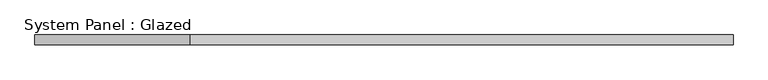
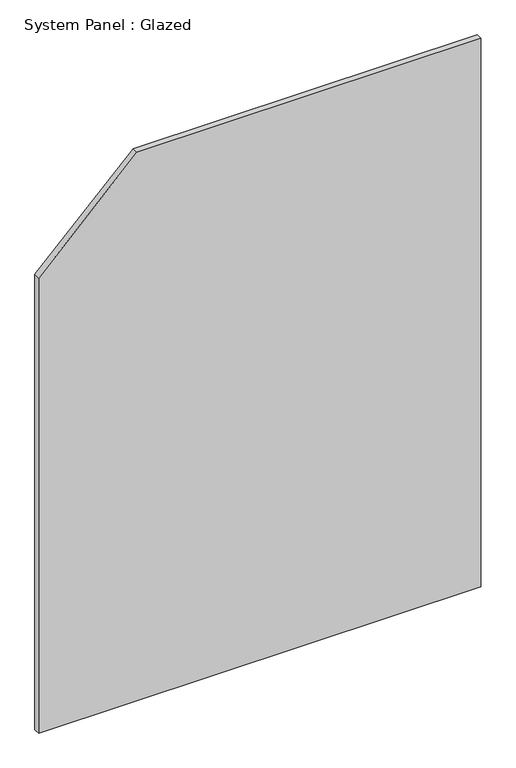
"""IFC4 building model written with IfcOpenShell, lengths in millimetres: plate geometry, System Panel : Glazed."""

import ifcopenshell
import ifcopenshell.guid

model = None  # the IFC model being written
_history = None  # IfcOwnerHistory: only IFC2X3 demands one
_inside = {}  # id of a spatial element -> (the spatial element, [elements in it])
_under = {}  # id of a project, library or spatial element -> (it, [spatial elements below it])
_declared = {}  # id of a project -> (the project, [libraries it declares])
_typed = {}  # id of a type object -> (the type object, [elements of that type])
_made_of = {}  # id of a material, layer set ... -> (it, [elements and type objects made of it])


def new_model(schema):
    """Start an empty IFC model of exactly this schema.

    Asked for "IFC4X3", IfcOpenShell would pick the latest addendum, in which some entities
    have other attributes; the version numbers below select the first issue.
    IFC2X3 requires an IfcOwnerHistory on every rooted entity: one is made here for all.
    """
    global model, _history
    if schema == "IFC4X3":
        model = ifcopenshell.file(schema_version=(4, 3, 0, 0))
    else:
        model = ifcopenshell.file(schema=schema)
    _inside.clear()
    _under.clear()
    _declared.clear()
    _typed.clear()
    _made_of.clear()
    _history = None
    if model.schema == "IFC2X3":
        org = make("IfcOrganization", Name="unknown")
        user = make(
            "IfcPersonAndOrganization",
            ThePerson=make("IfcPerson", FamilyName="unknown"),
            TheOrganization=org,
        )
        app = make(
            "IfcApplication",
            ApplicationDeveloper=org,
            Version="unknown",
            ApplicationFullName="unknown",
            ApplicationIdentifier="unknown",
        )
        _history = make(
            "IfcOwnerHistory",
            OwningUser=user,
            OwningApplication=app,
            ChangeAction="ADDED",
            CreationDate=0,
        )
    return model


def make(cls, **values):
    """One entity of the class cls with the attributes given. An attribute that is None is left unset."""
    return model.create_entity(
        cls, **{name: value for name, value in values.items() if value is not None}
    )


def rooted(cls, **values):
    """An entity with a GlobalId (a new one), such as an element, a storey or a relation."""
    return make(cls, GlobalId=ifcopenshell.guid.new(), OwnerHistory=_history, **values)


def si_unit(unit_type, name, prefix=None):
    """IfcSIUnit, for example si_unit("LENGTHUNIT", "METRE", prefix="MILLI")."""
    return make("IfcSIUnit", UnitType=unit_type, Prefix=prefix, Name=name)


def assignment(units):
    """IfcUnitAssignment: the units of a project."""
    return None if units is None else make("IfcUnitAssignment", Units=units)


def point(xyz):
    """IfcCartesianPoint."""
    return None if xyz is None else make("IfcCartesianPoint", Coordinates=xyz)


def direction(xyz):
    """IfcDirection."""
    return None if xyz is None else make("IfcDirection", DirectionRatios=xyz)


def frame(location, z_axis=None, x_axis=None):
    """IfcAxis2Placement3D, a coordinate frame: its origin and axes. An axis left out is left unset."""
    return make(
        "IfcAxis2Placement3D",
        Location=point(location),
        Axis=direction(z_axis),
        RefDirection=direction(x_axis),
    )


def origin():
    """The frame at (0, 0, 0) with its axes left unset."""
    return frame((0.0, 0.0, 0.0))


def place(relative_to, where):
    """IfcLocalPlacement: puts the frame where relative to a parent placement (None: the world)."""
    return make(
        "IfcLocalPlacement", PlacementRelTo=relative_to, RelativePlacement=where
    )


def context(
    kind, dimensions, precision=None, world=None, true_north=None, identifier=None
):
    """IfcGeometricRepresentationContext, for example the 3D "Model" context."""
    return make(
        "IfcGeometricRepresentationContext",
        ContextIdentifier=identifier,
        ContextType=kind,
        CoordinateSpaceDimension=dimensions,
        Precision=precision,
        WorldCoordinateSystem=world,
        TrueNorth=true_north,
    )


def project(units=None, contexts=None):
    """IfcProject with its units and contexts."""
    return rooted(
        "IfcProject",
        Name="project",
        RepresentationContexts=contexts,
        UnitsInContext=assignment(units),
    )


def spatial(cls, under=None, at=None, **own):
    """A site, building, storey or space (cls), placed at a placement, below another one or the project."""
    s = rooted(cls, ObjectPlacement=at, **own)
    if under is not None:
        _under.setdefault(under.id(), (under, []))[1].append(s)
    return s


def polyline(points):
    """IfcPolyline through the points."""
    return make("IfcPolyline", Points=[point(p) for p in points])


def outline(outer, holes=None, kind="AREA"):
    """IfcArbitraryClosedProfileDef: a profile drawn as a closed curve; with holes, ...WithVoids."""
    if holes is None:
        return make("IfcArbitraryClosedProfileDef", ProfileType=kind, OuterCurve=outer)
    return make(
        "IfcArbitraryProfileDefWithVoids",
        ProfileType=kind,
        OuterCurve=outer,
        InnerCurves=holes,
    )


def extrude(swept, where, along, depth):
    """IfcExtrudedAreaSolid: the profile swept, set in the frame where, extruded along a direction by depth."""
    return make(
        "IfcExtrudedAreaSolid",
        SweptArea=swept,
        Position=where,
        ExtrudedDirection=direction(along),
        Depth=depth,
    )


def shape(context_of_items, identifier, shape_type, items):
    """IfcShapeRepresentation: the items that make up one representation, for example the "Body"."""
    return make(
        "IfcShapeRepresentation",
        ContextOfItems=context_of_items,
        RepresentationIdentifier=identifier,
        RepresentationType=shape_type,
        Items=items,
    )


def source(mapping_origin, context_of_items, identifier, shape_type, items):
    """IfcRepresentationMap: a shape defined once, which mapped items show again and again."""
    return make(
        "IfcRepresentationMap",
        MappingOrigin=mapping_origin,
        MappedRepresentation=shape(context_of_items, identifier, shape_type, items),
    )


def transform(
    local_origin,
    x_axis=None,
    y_axis=None,
    z_axis=None,
    scale=None,
    scale2=None,
    scale3=None,
    uniform=True,
):
    """IfcCartesianTransformationOperator3D, or its non-uniform kind. x_axis, y_axis, z_axis: its Axis1, 2, 3."""
    if uniform:
        return make(
            "IfcCartesianTransformationOperator3D",
            Axis1=direction(x_axis),
            Axis2=direction(y_axis),
            LocalOrigin=point(local_origin),
            Scale=scale,
            Axis3=direction(z_axis),
        )
    return make(
        "IfcCartesianTransformationOperator3DnonUniform",
        Axis1=direction(x_axis),
        Axis2=direction(y_axis),
        LocalOrigin=point(local_origin),
        Scale=scale,
        Axis3=direction(z_axis),
        Scale2=scale2,
        Scale3=scale3,
    )


def mapped(mapping_source, mapping_target):
    """IfcMappedItem: shows the shape of a source again, moved by a transform."""
    return make(
        "IfcMappedItem", MappingSource=mapping_source, MappingTarget=mapping_target
    )


def made_of(thing, what):
    """Note that an element or type object is made of a material, layer set ...; save() writes the relation."""
    if what is not None:
        _made_of.setdefault(what.id(), (what, []))[1].append(thing)
    return thing


def element(
    cls,
    number,
    at=None,
    inside=None,
    cuts=None,
    type_object=None,
    material=None,
    context=None,
    identifier="Body",
    shape_type=None,
    held_by="IfcProductDefinitionShape",
    body=None,
    shapes=None,
    **own,
):
    """One element of the class cls, such as IfcWall. Its Tag is "e" and its number.

    at: its placement. inside: the storey or other place that contains it. cuts: it is an
    opening in that element (IfcRelVoidsElement). A single representation is given by context,
    identifier, shape_type and body (its items); several are given by shapes. held_by: the class
    of the entity that holds the representations. save() writes the other relations.
    """
    e = rooted(cls, Tag="e%d" % number, ObjectPlacement=at, **own)
    if body is not None:
        shapes = [shape(context, identifier, shape_type, body)]
    if shapes is not None:
        e.Representation = make(held_by, Representations=shapes)
    if inside is not None:
        _inside.setdefault(inside.id(), (inside, []))[1].append(e)
    if cuts is not None:
        rooted(
            "IfcRelVoidsElement", RelatingBuildingElement=cuts, RelatedOpeningElement=e
        )
    if type_object is not None:
        _typed.setdefault(type_object.id(), (type_object, []))[1].append(e)
    return made_of(e, material)


def aggregate(whole, parts):
    """IfcRelAggregates: a whole, such as a stair, and the parts it consists of."""
    return rooted("IfcRelAggregates", RelatingObject=whole, RelatedObjects=parts)


def save(model, path):
    """Write the relations noted so far, then the file.

    IfcRelAggregates (storeys below a building ...), IfcRelContainedInSpatialStructure (elements
    in a storey), IfcRelDefinesByType, IfcRelAssociatesMaterial and IfcRelDeclares: one each for
    every whole, place, type object, material and project.
    """
    for whole, parts in _under.values():
        aggregate(whole, parts)
    for where, things in _inside.values():
        rooted(
            "IfcRelContainedInSpatialStructure",
            RelatedElements=things,
            RelatingStructure=where,
        )
    for kind, things in _typed.values():
        rooted("IfcRelDefinesByType", RelatedObjects=things, RelatingType=kind)
    for what, things in _made_of.values():
        rooted("IfcRelAssociatesMaterial", RelatedObjects=things, RelatingMaterial=what)
    for by, libraries in _declared.values():
        rooted("IfcRelDeclares", RelatingContext=by, RelatedDefinitions=libraries)
    model.write(path)


def system_panel_glazed_ee42a5c3(model_context):
    return source(origin(), model_context, "Body", "SweptSolid", [
        extrude(outline(polyline([(0.0, -887.5), (0.0, 887.5), (2325.0, 887.5), (2325.0, -492.7943725), (1930.2943725, -887.5), (0.0, -887.5)])), frame((0.0, 24.5, 0.0), z_axis=(0.0, 1.0, 0.0), x_axis=(0.0, 0.0, 1.0)), (0.0, 0.0, 1.0), 25.0),
    ])


if __name__ == "__main__":
    model = new_model("IFC4")
    model_context = context("Model", 3, world=origin())
    ifc_project = project(units=[si_unit("LENGTHUNIT", "METRE", prefix="MILLI")], contexts=[model_context])
    site = spatial("IfcSite", under=ifc_project)
    building = spatial("IfcBuilding", under=site)
    placement = place(None, origin())
    system_panel_glazed_shape = system_panel_glazed_ee42a5c3(model_context)
    element("IfcPlate", 1, ObjectType="System Panel : Glazed", at=placement, inside=building, context=model_context, shape_type="MappedRepresentation", body=[
        mapped(system_panel_glazed_shape, transform((0.0, 0.0, 0.0), x_axis=(1.0, 0.0, 0.0), y_axis=(0.0, 1.0, 0.0), z_axis=(0.0, 0.0, 1.0))),
    ])
    save(model, "model.ifc")
